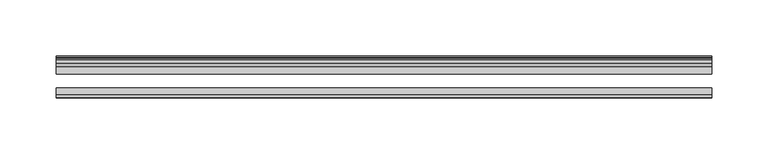
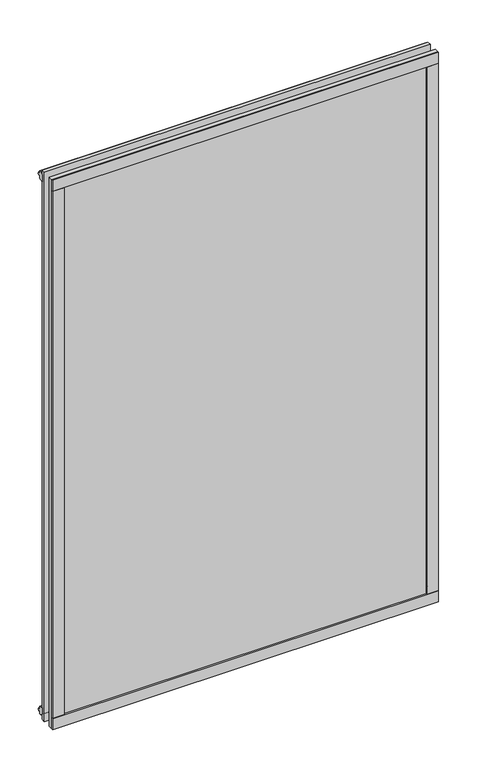
"""IFC4 building model written with IfcOpenShell, lengths in millimetres: plate geometry."""

import ifcopenshell
import ifcopenshell.guid

model = None  # the IFC model being written
_history = None  # IfcOwnerHistory: only IFC2X3 demands one
_inside = {}  # id of a spatial element -> (the spatial element, [elements in it])
_under = {}  # id of a project, library or spatial element -> (it, [spatial elements below it])
_declared = {}  # id of a project -> (the project, [libraries it declares])
_typed = {}  # id of a type object -> (the type object, [elements of that type])
_made_of = {}  # id of a material, layer set ... -> (it, [elements and type objects made of it])


def new_model(schema):
    """Start an empty IFC model of exactly this schema.

    Asked for "IFC4X3", IfcOpenShell would pick the latest addendum, in which some entities
    have other attributes; the version numbers below select the first issue.
    IFC2X3 requires an IfcOwnerHistory on every rooted entity: one is made here for all.
    """
    global model, _history
    if schema == "IFC4X3":
        model = ifcopenshell.file(schema_version=(4, 3, 0, 0))
    else:
        model = ifcopenshell.file(schema=schema)
    _inside.clear()
    _under.clear()
    _declared.clear()
    _typed.clear()
    _made_of.clear()
    _history = None
    if model.schema == "IFC2X3":
        org = make("IfcOrganization", Name="unknown")
        user = make(
            "IfcPersonAndOrganization",
            ThePerson=make("IfcPerson", FamilyName="unknown"),
            TheOrganization=org,
        )
        app = make(
            "IfcApplication",
            ApplicationDeveloper=org,
            Version="unknown",
            ApplicationFullName="unknown",
            ApplicationIdentifier="unknown",
        )
        _history = make(
            "IfcOwnerHistory",
            OwningUser=user,
            OwningApplication=app,
            ChangeAction="ADDED",
            CreationDate=0,
        )
    return model


def make(cls, **values):
    """One entity of the class cls with the attributes given. An attribute that is None is left unset."""
    return model.create_entity(
        cls, **{name: value for name, value in values.items() if value is not None}
    )


def rooted(cls, **values):
    """An entity with a GlobalId (a new one), such as an element, a storey or a relation."""
    return make(cls, GlobalId=ifcopenshell.guid.new(), OwnerHistory=_history, **values)


def si_unit(unit_type, name, prefix=None):
    """IfcSIUnit, for example si_unit("LENGTHUNIT", "METRE", prefix="MILLI")."""
    return make("IfcSIUnit", UnitType=unit_type, Prefix=prefix, Name=name)


def assignment(units):
    """IfcUnitAssignment: the units of a project."""
    return None if units is None else make("IfcUnitAssignment", Units=units)


def point(xyz):
    """IfcCartesianPoint."""
    return None if xyz is None else make("IfcCartesianPoint", Coordinates=xyz)


def direction(xyz):
    """IfcDirection."""
    return None if xyz is None else make("IfcDirection", DirectionRatios=xyz)


def frame(location, z_axis=None, x_axis=None):
    """IfcAxis2Placement3D, a coordinate frame: its origin and axes. An axis left out is left unset."""
    return make(
        "IfcAxis2Placement3D",
        Location=point(location),
        Axis=direction(z_axis),
        RefDirection=direction(x_axis),
    )


def origin():
    """The frame at (0, 0, 0) with its axes left unset."""
    return frame((0.0, 0.0, 0.0))


def origin_with_axes():
    """The frame at (0, 0, 0) with the z axis (0, 0, 1) and the x axis (1, 0, 0) written out."""
    return frame((0.0, 0.0, 0.0), z_axis=(0.0, 0.0, 1.0), x_axis=(1.0, 0.0, 0.0))


def place(relative_to, where):
    """IfcLocalPlacement: puts the frame where relative to a parent placement (None: the world)."""
    return make(
        "IfcLocalPlacement", PlacementRelTo=relative_to, RelativePlacement=where
    )


def context(
    kind, dimensions, precision=None, world=None, true_north=None, identifier=None
):
    """IfcGeometricRepresentationContext, for example the 3D "Model" context."""
    return make(
        "IfcGeometricRepresentationContext",
        ContextIdentifier=identifier,
        ContextType=kind,
        CoordinateSpaceDimension=dimensions,
        Precision=precision,
        WorldCoordinateSystem=world,
        TrueNorth=true_north,
    )


def project(units=None, contexts=None):
    """IfcProject with its units and contexts."""
    return rooted(
        "IfcProject",
        Name="project",
        RepresentationContexts=contexts,
        UnitsInContext=assignment(units),
    )


def spatial(cls, under=None, at=None, **own):
    """A site, building, storey or space (cls), placed at a placement, below another one or the project."""
    s = rooted(cls, ObjectPlacement=at, **own)
    if under is not None:
        _under.setdefault(under.id(), (under, []))[1].append(s)
    return s


def polyline(points):
    """IfcPolyline through the points."""
    return make("IfcPolyline", Points=[point(p) for p in points])


def outline(outer, holes=None, kind="AREA"):
    """IfcArbitraryClosedProfileDef: a profile drawn as a closed curve; with holes, ...WithVoids."""
    if holes is None:
        return make("IfcArbitraryClosedProfileDef", ProfileType=kind, OuterCurve=outer)
    return make(
        "IfcArbitraryProfileDefWithVoids",
        ProfileType=kind,
        OuterCurve=outer,
        InnerCurves=holes,
    )


def extrude(swept, where, along, depth):
    """IfcExtrudedAreaSolid: the profile swept, set in the frame where, extruded along a direction by depth."""
    return make(
        "IfcExtrudedAreaSolid",
        SweptArea=swept,
        Position=where,
        ExtrudedDirection=direction(along),
        Depth=depth,
    )


def shape(context_of_items, identifier, shape_type, items):
    """IfcShapeRepresentation: the items that make up one representation, for example the "Body"."""
    return make(
        "IfcShapeRepresentation",
        ContextOfItems=context_of_items,
        RepresentationIdentifier=identifier,
        RepresentationType=shape_type,
        Items=items,
    )


def source(mapping_origin, context_of_items, identifier, shape_type, items):
    """IfcRepresentationMap: a shape defined once, which mapped items show again and again."""
    return make(
        "IfcRepresentationMap",
        MappingOrigin=mapping_origin,
        MappedRepresentation=shape(context_of_items, identifier, shape_type, items),
    )


def transform(
    local_origin,
    x_axis=None,
    y_axis=None,
    z_axis=None,
    scale=None,
    scale2=None,
    scale3=None,
    uniform=True,
):
    """IfcCartesianTransformationOperator3D, or its non-uniform kind. x_axis, y_axis, z_axis: its Axis1, 2, 3."""
    if uniform:
        return make(
            "IfcCartesianTransformationOperator3D",
            Axis1=direction(x_axis),
            Axis2=direction(y_axis),
            LocalOrigin=point(local_origin),
            Scale=scale,
            Axis3=direction(z_axis),
        )
    return make(
        "IfcCartesianTransformationOperator3DnonUniform",
        Axis1=direction(x_axis),
        Axis2=direction(y_axis),
        LocalOrigin=point(local_origin),
        Scale=scale,
        Axis3=direction(z_axis),
        Scale2=scale2,
        Scale3=scale3,
    )


def mapped(mapping_source, mapping_target):
    """IfcMappedItem: shows the shape of a source again, moved by a transform."""
    return make(
        "IfcMappedItem", MappingSource=mapping_source, MappingTarget=mapping_target
    )


def made_of(thing, what):
    """Note that an element or type object is made of a material, layer set ...; save() writes the relation."""
    if what is not None:
        _made_of.setdefault(what.id(), (what, []))[1].append(thing)
    return thing


def element(
    cls,
    number,
    at=None,
    inside=None,
    cuts=None,
    type_object=None,
    material=None,
    context=None,
    identifier="Body",
    shape_type=None,
    held_by="IfcProductDefinitionShape",
    body=None,
    shapes=None,
    **own,
):
    """One element of the class cls, such as IfcWall. Its Tag is "e" and its number.

    at: its placement. inside: the storey or other place that contains it. cuts: it is an
    opening in that element (IfcRelVoidsElement). A single representation is given by context,
    identifier, shape_type and body (its items); several are given by shapes. held_by: the class
    of the entity that holds the representations. save() writes the other relations.
    """
    e = rooted(cls, Tag="e%d" % number, ObjectPlacement=at, **own)
    if body is not None:
        shapes = [shape(context, identifier, shape_type, body)]
    if shapes is not None:
        e.Representation = make(held_by, Representations=shapes)
    if inside is not None:
        _inside.setdefault(inside.id(), (inside, []))[1].append(e)
    if cuts is not None:
        rooted(
            "IfcRelVoidsElement", RelatingBuildingElement=cuts, RelatedOpeningElement=e
        )
    if type_object is not None:
        _typed.setdefault(type_object.id(), (type_object, []))[1].append(e)
    return made_of(e, material)


def aggregate(whole, parts):
    """IfcRelAggregates: a whole, such as a stair, and the parts it consists of."""
    return rooted("IfcRelAggregates", RelatingObject=whole, RelatedObjects=parts)


def save(model, path):
    """Write the relations noted so far, then the file.

    IfcRelAggregates (storeys below a building ...), IfcRelContainedInSpatialStructure (elements
    in a storey), IfcRelDefinesByType, IfcRelAssociatesMaterial and IfcRelDeclares: one each for
    every whole, place, type object, material and project.
    """
    for whole, parts in _under.values():
        aggregate(whole, parts)
    for where, things in _inside.values():
        rooted(
            "IfcRelContainedInSpatialStructure",
            RelatedElements=things,
            RelatingStructure=where,
        )
    for kind, things in _typed.values():
        rooted("IfcRelDefinesByType", RelatedObjects=things, RelatingType=kind)
    for what, things in _made_of.values():
        rooted("IfcRelAssociatesMaterial", RelatedObjects=things, RelatingMaterial=what)
    for by, libraries in _declared.values():
        rooted("IfcRelDeclares", RelatingContext=by, RelatedDefinitions=libraries)
    model.write(path)


def plate_d7e7a158(model_context):
    return source(origin(), model_context, "Body", "SweptSolid", [
        extrude(outline(polyline([(290.5124995, -44.4293643), (290.5124995, -46.7153636), (-290.5124995, -46.7153636), (-290.5124995, -44.4293643), (290.5124995, -44.4293643)])), frame((0.0, 0.0, 838.1872999), z_axis=(0.0, 0.0, 1.0), x_axis=(1.0, 0.0, 0.0)), (0.0, 0.0, 1.0), 17.4752),
        extrude(outline(polyline([(290.5124995, -44.4293643), (290.5124995, -46.7153636), (-290.5124995, -46.7153636), (-290.5124995, -44.4293643), (290.5124995, -44.4293643)])), frame((0.0, 0.0, -17.4625), z_axis=(0.0, 0.0, 1.0), x_axis=(1.0, 0.0, 0.0)), (0.0, 0.0, 1.0), 17.4752),
        extrude(outline(polyline([(-16.311566, -12.4459992), (-19.5373643, -9.7597211), (-19.5373643, 1.1616223), (-13.365166, -0.5079992), (-13.365166, -5.7149992), (-10.9849691, -6.0959992), (-11.4449023, -4.6804701), (-10.6436881, -4.6804701), (-9.936166, -6.8579992), (-10.6436881, -9.0355282), (-11.4449023, -9.0355282), (-10.9849691, -7.6199992), (-13.365166, -8.0009992), (-13.365166, -12.4459992), (-16.311566, -12.4459992)])), frame((-290.5124995, 0.0, 0.0), z_axis=(1.0, 0.0, 0.0), x_axis=(0.0, 1.0, 0.0)), (0.0, 0.0, 1.0), 581.0249991),
        extrude(outline(polyline([(-16.311566, 850.645999), (-13.365166, 850.645999), (-13.365166, 846.200999), (-10.9849691, 845.819999), (-11.4449023, 847.2355281), (-10.6436881, 847.2355281), (-9.936166, 845.057999), (-10.6436881, 842.88047), (-11.4449023, 842.88047), (-10.9849691, 844.295999), (-13.365166, 843.914999), (-13.365166, 838.707999), (-19.5373643, 837.0383775), (-19.5373643, 847.959721), (-16.311566, 850.645999)])), frame((-290.5124995, 0.0, 0.0), z_axis=(1.0, 0.0, 0.0), x_axis=(0.0, 1.0, 0.0)), (0.0, 0.0, 1.0), 581.0249991),
        extrude(outline(polyline([(-271.8883772, -19.5373643), (-282.8097207, -19.5373643), (-285.4959987, -16.311566), (-285.4959987, -13.365166), (-281.0509987, -13.365166), (-280.6699987, -10.9849691), (-282.0855278, -11.4449023), (-282.0855278, -10.6436881), (-279.9079987, -9.936166), (-277.7304697, -10.6436881), (-277.7304697, -11.4449023), (-279.1459987, -10.9849691), (-278.7649987, -13.365166), (-273.5579987, -13.365166), (-271.8883772, -19.5373643)])), origin_with_axes(), (0.0, 0.0, 1.0), 838.1999999),
        extrude(outline(polyline([(-273.0372995, -44.4293643), (-273.0372995, -46.7153636), (-290.5124995, -46.7153636), (-290.5124995, -44.4293643), (-273.0372995, -44.4293643)])), origin_with_axes(), (0.0, 0.0, 1.0), 838.1999999),
        extrude(outline(polyline([(271.9010774, -19.5373643), (273.5706989, -13.365166), (278.7776989, -13.365166), (279.1586989, -10.9849691), (277.7431699, -11.4449023), (277.7431699, -10.6436881), (279.9206989, -9.936166), (282.098228, -10.6436881), (282.098228, -11.4449023), (280.6826989, -10.9849691), (281.0636989, -13.365166), (285.5086989, -13.365166), (285.5086989, -16.311566), (282.8224209, -19.5373643), (271.9010774, -19.5373643)])), origin_with_axes(), (0.0, 0.0, 1.0), 838.1999999),
        extrude(outline(polyline([(290.5251998, -46.7153636), (273.0499993, -46.7153636), (273.0499993, -44.4293643), (290.5251998, -44.4293643), (290.5251998, -46.7153636)])), origin_with_axes(), (0.0, 0.0, 1.0), 838.1999999),
        extrude(outline(polyline([(290.5124995, -19.5373643), (290.5124995, -25.8250158), (-290.5124995, -25.8250158), (-290.5124995, -19.5373643), (290.5124995, -19.5373643)])), frame((0.0, 0.0, -17.4497998), z_axis=(0.0, 0.0, 1.0), x_axis=(1.0, 0.0, 0.0)), (0.0, 0.0, 1.0), 873.1122996),
        extrude(outline(polyline([(-290.5124995, -44.4293643), (-290.5124995, -38.1186142), (290.5124995, -38.1186142), (290.5124995, -44.4293643), (-290.5124995, -44.4293643)])), frame((0.0, 0.0, -17.4497998), z_axis=(0.0, 0.0, 1.0), x_axis=(1.0, 0.0, 0.0)), (0.0, 0.0, 1.0), 873.1122996),
    ])


if __name__ == "__main__":
    model = new_model("IFC4")
    model_context = context("Model", 3, world=origin())
    ifc_project = project(units=[si_unit("LENGTHUNIT", "METRE", prefix="MILLI")], contexts=[model_context])
    site = spatial("IfcSite", under=ifc_project)
    building = spatial("IfcBuilding", under=site)
    placement = place(None, origin())
    plate_shape = plate_d7e7a158(model_context)
    element("IfcPlate", 1, at=placement, inside=building, context=model_context, shape_type="MappedRepresentation", body=[
        mapped(plate_shape, transform((0.0, 0.0, 0.0), x_axis=(1.0, 0.0, 0.0), y_axis=(0.0, 1.0, 0.0), z_axis=(0.0, 0.0, 1.0))),
    ])
    save(model, "model.ifc")
